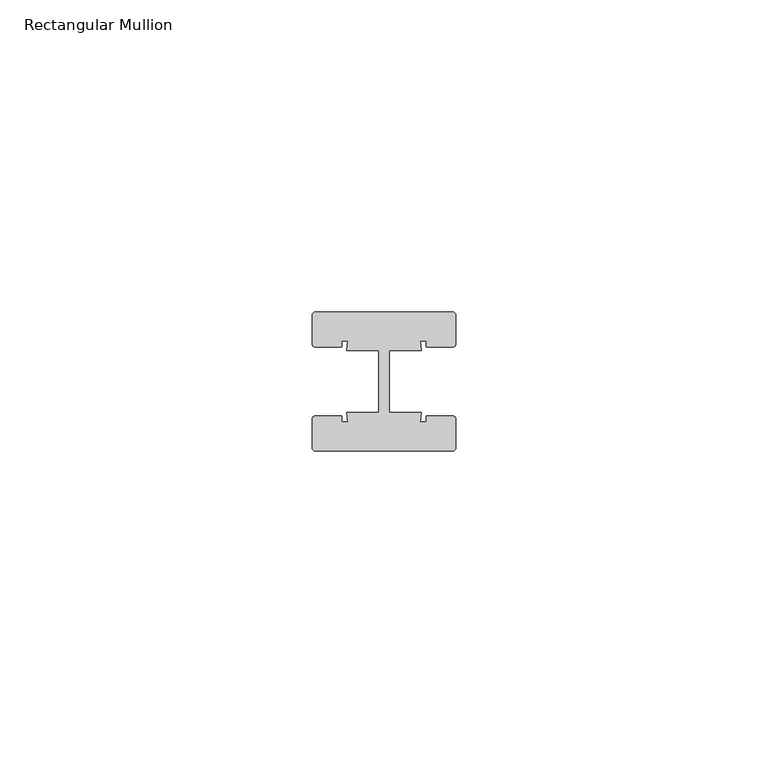
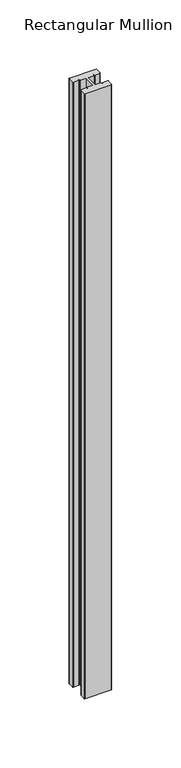
"""IFC4 building model written with IfcOpenShell, lengths in millimetres: member geometry, Rectangular Mullion."""

from ifc_helpers import new_model, si_unit, point, frame, frame_2d, origin, place, context, project, spatial, polyline, circle_curve, trimmed, segment, composite_curve, outline, extrude, source, transform, mapped, element, save


def rectangular_mullion_cf46a50a(model_context):
    return source(origin(), model_context, "Body", "SweptSolid", [
        extrude(outline(composite_curve([segment(trimmed(circle_curve(frame_2d((-11.0, 10.64)), 0.5), [point((-11.5, 10.64))], [point((-11.0, 11.14))], False, "CARTESIAN"), True, "CONTINUOUS"), segment(polyline([(-11.0, 11.14), (11.0, 11.14)]), True, "CONTINUOUS"), segment(trimmed(circle_curve(frame_2d((11.0, 10.64)), 0.5), [point((11.0, 11.14))], [point((11.5, 10.64))], False, "CARTESIAN"), True, "CONTINUOUS"), segment(polyline([(11.5, 10.64), (11.5, 6.0)]), True, "CONTINUOUS"), segment(trimmed(circle_curve(frame_2d((11.0, 6.0)), 0.5), [point((11.5, 6.0))], [point((11.0, 5.5))], False, "CARTESIAN"), True, "CONTINUOUS"), segment(polyline([(11.0, 5.5), (6.75, 5.5), (6.75, 6.5), (5.7984177, 6.5), (6.0, 5.0), (0.840625, 5.0), (0.840625, -5.0), (6.0, -5.0), (5.7984177, -6.5), (6.75, -6.5), (6.75, -5.5), (11.0, -5.5)]), True, "CONTINUOUS"), segment(trimmed(circle_curve(frame_2d((11.0, -6.0)), 0.5), [point((11.0, -5.5))], [point((11.5, -6.0))], False, "CARTESIAN"), True, "CONTINUOUS"), segment(polyline([(11.5, -6.0), (11.5, -10.64)]), True, "CONTINUOUS"), segment(trimmed(circle_curve(frame_2d((11.0, -10.64)), 0.5), [point((11.5, -10.64))], [point((11.0, -11.14))], False, "CARTESIAN"), True, "CONTINUOUS"), segment(polyline([(11.0, -11.14), (-11.0, -11.14)]), True, "CONTINUOUS"), segment(trimmed(circle_curve(frame_2d((-11.0, -10.64)), 0.5), [point((-11.0, -11.14))], [point((-11.5, -10.64))], False, "CARTESIAN"), True, "CONTINUOUS"), segment(polyline([(-11.5, -10.64), (-11.5, -6.0)]), True, "CONTINUOUS"), segment(trimmed(circle_curve(frame_2d((-11.0, -6.0)), 0.5), [point((-11.5, -6.0))], [point((-11.0, -5.5))], False, "CARTESIAN"), True, "CONTINUOUS"), segment(polyline([(-11.0, -5.5), (-6.75, -5.5), (-6.75, -6.5), (-5.7984177, -6.5), (-6.0, -5.0), (-0.840625, -5.0), (-0.840625, 5.0), (-6.0, 5.0), (-5.7984177, 6.5), (-6.75, 6.5), (-6.75, 5.5), (-11.0, 5.5)]), True, "CONTINUOUS"), segment(trimmed(circle_curve(frame_2d((-11.0, 6.0)), 0.5), [point((-11.0, 5.5))], [point((-11.5, 6.0))], False, "CARTESIAN"), True, "CONTINUOUS"), segment(polyline([(-11.5, 6.0), (-11.5, 10.64)]), True, "CONTINUOUS")], self_intersect=False)), frame((0.0, 0.0, -533.4), z_axis=(0.0, 0.0, 1.0), x_axis=(1.0, 0.0, 0.0)), (0.0, 0.0, 1.0), 533.4),
    ])


if __name__ == "__main__":
    model = new_model("IFC4")
    model_context = context("Model", 3, world=origin())
    ifc_project = project(units=[si_unit("LENGTHUNIT", "METRE", prefix="MILLI")], contexts=[model_context])
    site = spatial("IfcSite", under=ifc_project)
    building = spatial("IfcBuilding", under=site)
    placement = place(None, origin())
    rectangular_mullion_shape = rectangular_mullion_cf46a50a(model_context)
    element("IfcMember", 1, ObjectType="Rectangular Mullion", at=placement, inside=building, context=model_context, shape_type="MappedRepresentation", body=[
        mapped(rectangular_mullion_shape, transform((0.0, 0.0, 0.0), x_axis=(1.0, 0.0, 0.0), y_axis=(0.0, 1.0, 0.0), z_axis=(0.0, 0.0, 1.0))),
    ])
    save(model, "model.ifc")
